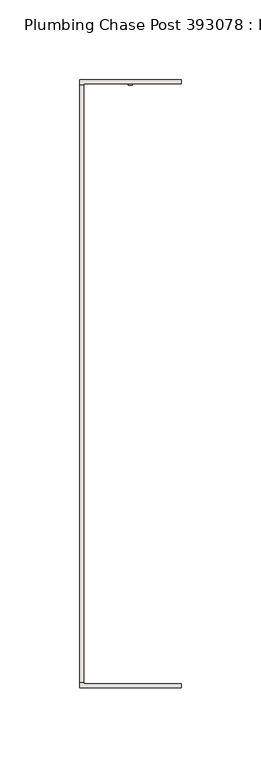
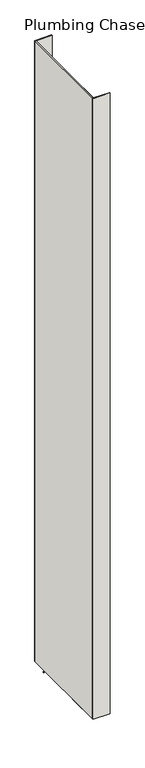
"""IFC4 building model written with IfcOpenShell, lengths in millimetres: wall geometry, Plumbing Chase Post 393078 : Plumbing Chase Post 393078."""

import ifcopenshell
import ifcopenshell.guid

model = None  # the IFC model being written
_history = None  # IfcOwnerHistory: only IFC2X3 demands one
_inside = {}  # id of a spatial element -> (the spatial element, [elements in it])
_under = {}  # id of a project, library or spatial element -> (it, [spatial elements below it])
_declared = {}  # id of a project -> (the project, [libraries it declares])
_typed = {}  # id of a type object -> (the type object, [elements of that type])
_made_of = {}  # id of a material, layer set ... -> (it, [elements and type objects made of it])


def new_model(schema):
    """Start an empty IFC model of exactly this schema.

    Asked for "IFC4X3", IfcOpenShell would pick the latest addendum, in which some entities
    have other attributes; the version numbers below select the first issue.
    IFC2X3 requires an IfcOwnerHistory on every rooted entity: one is made here for all.
    """
    global model, _history
    if schema == "IFC4X3":
        model = ifcopenshell.file(schema_version=(4, 3, 0, 0))
    else:
        model = ifcopenshell.file(schema=schema)
    _inside.clear()
    _under.clear()
    _declared.clear()
    _typed.clear()
    _made_of.clear()
    _history = None
    if model.schema == "IFC2X3":
        org = make("IfcOrganization", Name="unknown")
        user = make(
            "IfcPersonAndOrganization",
            ThePerson=make("IfcPerson", FamilyName="unknown"),
            TheOrganization=org,
        )
        app = make(
            "IfcApplication",
            ApplicationDeveloper=org,
            Version="unknown",
            ApplicationFullName="unknown",
            ApplicationIdentifier="unknown",
        )
        _history = make(
            "IfcOwnerHistory",
            OwningUser=user,
            OwningApplication=app,
            ChangeAction="ADDED",
            CreationDate=0,
        )
    return model


def make(cls, **values):
    """One entity of the class cls with the attributes given. An attribute that is None is left unset."""
    return model.create_entity(
        cls, **{name: value for name, value in values.items() if value is not None}
    )


def rooted(cls, **values):
    """An entity with a GlobalId (a new one), such as an element, a storey or a relation."""
    return make(cls, GlobalId=ifcopenshell.guid.new(), OwnerHistory=_history, **values)


def si_unit(unit_type, name, prefix=None):
    """IfcSIUnit, for example si_unit("LENGTHUNIT", "METRE", prefix="MILLI")."""
    return make("IfcSIUnit", UnitType=unit_type, Prefix=prefix, Name=name)


def assignment(units):
    """IfcUnitAssignment: the units of a project."""
    return None if units is None else make("IfcUnitAssignment", Units=units)


def point(xyz):
    """IfcCartesianPoint."""
    return None if xyz is None else make("IfcCartesianPoint", Coordinates=xyz)


def direction(xyz):
    """IfcDirection."""
    return None if xyz is None else make("IfcDirection", DirectionRatios=xyz)


def frame(location, z_axis=None, x_axis=None):
    """IfcAxis2Placement3D, a coordinate frame: its origin and axes. An axis left out is left unset."""
    return make(
        "IfcAxis2Placement3D",
        Location=point(location),
        Axis=direction(z_axis),
        RefDirection=direction(x_axis),
    )


def origin():
    """The frame at (0, 0, 0) with its axes left unset."""
    return frame((0.0, 0.0, 0.0))


def place(relative_to, where):
    """IfcLocalPlacement: puts the frame where relative to a parent placement (None: the world)."""
    return make(
        "IfcLocalPlacement", PlacementRelTo=relative_to, RelativePlacement=where
    )


def context(
    kind, dimensions, precision=None, world=None, true_north=None, identifier=None
):
    """IfcGeometricRepresentationContext, for example the 3D "Model" context."""
    return make(
        "IfcGeometricRepresentationContext",
        ContextIdentifier=identifier,
        ContextType=kind,
        CoordinateSpaceDimension=dimensions,
        Precision=precision,
        WorldCoordinateSystem=world,
        TrueNorth=true_north,
    )


def project(units=None, contexts=None):
    """IfcProject with its units and contexts."""
    return rooted(
        "IfcProject",
        Name="project",
        RepresentationContexts=contexts,
        UnitsInContext=assignment(units),
    )


def spatial(cls, under=None, at=None, **own):
    """A site, building, storey or space (cls), placed at a placement, below another one or the project."""
    s = rooted(cls, ObjectPlacement=at, **own)
    if under is not None:
        _under.setdefault(under.id(), (under, []))[1].append(s)
    return s


def polyline(points):
    """IfcPolyline through the points."""
    return make("IfcPolyline", Points=[point(p) for p in points])


def outline(outer, holes=None, kind="AREA"):
    """IfcArbitraryClosedProfileDef: a profile drawn as a closed curve; with holes, ...WithVoids."""
    if holes is None:
        return make("IfcArbitraryClosedProfileDef", ProfileType=kind, OuterCurve=outer)
    return make(
        "IfcArbitraryProfileDefWithVoids",
        ProfileType=kind,
        OuterCurve=outer,
        InnerCurves=holes,
    )


def extrude(swept, where, along, depth):
    """IfcExtrudedAreaSolid: the profile swept, set in the frame where, extruded along a direction by depth."""
    return make(
        "IfcExtrudedAreaSolid",
        SweptArea=swept,
        Position=where,
        ExtrudedDirection=direction(along),
        Depth=depth,
    )


def shape(context_of_items, identifier, shape_type, items):
    """IfcShapeRepresentation: the items that make up one representation, for example the "Body"."""
    return make(
        "IfcShapeRepresentation",
        ContextOfItems=context_of_items,
        RepresentationIdentifier=identifier,
        RepresentationType=shape_type,
        Items=items,
    )


def source(mapping_origin, context_of_items, identifier, shape_type, items):
    """IfcRepresentationMap: a shape defined once, which mapped items show again and again."""
    return make(
        "IfcRepresentationMap",
        MappingOrigin=mapping_origin,
        MappedRepresentation=shape(context_of_items, identifier, shape_type, items),
    )


def transform(
    local_origin,
    x_axis=None,
    y_axis=None,
    z_axis=None,
    scale=None,
    scale2=None,
    scale3=None,
    uniform=True,
):
    """IfcCartesianTransformationOperator3D, or its non-uniform kind. x_axis, y_axis, z_axis: its Axis1, 2, 3."""
    if uniform:
        return make(
            "IfcCartesianTransformationOperator3D",
            Axis1=direction(x_axis),
            Axis2=direction(y_axis),
            LocalOrigin=point(local_origin),
            Scale=scale,
            Axis3=direction(z_axis),
        )
    return make(
        "IfcCartesianTransformationOperator3DnonUniform",
        Axis1=direction(x_axis),
        Axis2=direction(y_axis),
        LocalOrigin=point(local_origin),
        Scale=scale,
        Axis3=direction(z_axis),
        Scale2=scale2,
        Scale3=scale3,
    )


def mapped(mapping_source, mapping_target):
    """IfcMappedItem: shows the shape of a source again, moved by a transform."""
    return make(
        "IfcMappedItem", MappingSource=mapping_source, MappingTarget=mapping_target
    )


def made_of(thing, what):
    """Note that an element or type object is made of a material, layer set ...; save() writes the relation."""
    if what is not None:
        _made_of.setdefault(what.id(), (what, []))[1].append(thing)
    return thing


def element(
    cls,
    number,
    at=None,
    inside=None,
    cuts=None,
    type_object=None,
    material=None,
    context=None,
    identifier="Body",
    shape_type=None,
    held_by="IfcProductDefinitionShape",
    body=None,
    shapes=None,
    **own,
):
    """One element of the class cls, such as IfcWall. Its Tag is "e" and its number.

    at: its placement. inside: the storey or other place that contains it. cuts: it is an
    opening in that element (IfcRelVoidsElement). A single representation is given by context,
    identifier, shape_type and body (its items); several are given by shapes. held_by: the class
    of the entity that holds the representations. save() writes the other relations.
    """
    e = rooted(cls, Tag="e%d" % number, ObjectPlacement=at, **own)
    if body is not None:
        shapes = [shape(context, identifier, shape_type, body)]
    if shapes is not None:
        e.Representation = make(held_by, Representations=shapes)
    if inside is not None:
        _inside.setdefault(inside.id(), (inside, []))[1].append(e)
    if cuts is not None:
        rooted(
            "IfcRelVoidsElement", RelatingBuildingElement=cuts, RelatedOpeningElement=e
        )
    if type_object is not None:
        _typed.setdefault(type_object.id(), (type_object, []))[1].append(e)
    return made_of(e, material)


def aggregate(whole, parts):
    """IfcRelAggregates: a whole, such as a stair, and the parts it consists of."""
    return rooted("IfcRelAggregates", RelatingObject=whole, RelatedObjects=parts)


def save(model, path):
    """Write the relations noted so far, then the file.

    IfcRelAggregates (storeys below a building ...), IfcRelContainedInSpatialStructure (elements
    in a storey), IfcRelDefinesByType, IfcRelAssociatesMaterial and IfcRelDeclares: one each for
    every whole, place, type object, material and project.
    """
    for whole, parts in _under.values():
        aggregate(whole, parts)
    for where, things in _inside.values():
        rooted(
            "IfcRelContainedInSpatialStructure",
            RelatedElements=things,
            RelatingStructure=where,
        )
    for kind, things in _typed.values():
        rooted("IfcRelDefinesByType", RelatedObjects=things, RelatingType=kind)
    for what, things in _made_of.values():
        rooted("IfcRelAssociatesMaterial", RelatedObjects=things, RelatingMaterial=what)
    for by, libraries in _declared.values():
        rooted("IfcRelDeclares", RelatingContext=by, RelatedDefinitions=libraries)
    model.write(path)


def plumbing_chase_post_393078_plumbing_chase_post_393078_a6033ac5(model_context):
    return source(origin(), model_context, "Body", "SweptSolid", [
        extrude(outline(polyline([(78033.282211, -43716.2537916), (78033.282211, -43718.7937916), (78030.742211, -43718.7937916), (78030.742211, -43716.2537916), (78033.282211, -43716.2537916)])), frame((0.0, 0.0, 4419.6), z_axis=(0.0, 0.0, 1.0), x_axis=(1.0, 0.0, 0.0)), (0.0, 0.0, 1.0), 2.54),
        extrude(outline(polyline([(77999.9955618, -44094.5519174), (77999.9955618, -43718.9624476), (78002.6620538, -43718.9624476), (78002.6620538, -44094.5519174), (77999.9955618, -44094.5519174)])), frame((0.0, 0.0, 4474.8958), z_axis=(0.0, 0.0, 1.0), x_axis=(1.0, 0.0, 0.0)), (0.0, 0.0, 1.0), 2481.1482254),
        extrude(outline(polyline([(77999.9955618, -44094.5519174), (77999.9955618, -43718.9624476), (78002.6620538, -43718.9624476), (78002.6620538, -44094.5519174), (77999.9955618, -44094.5519174)])), frame((0.0, 0.0, 4474.8958), z_axis=(0.0, 0.0, 1.0), x_axis=(1.0, 0.0, 0.0)), (0.0, 0.0, 1.0), 2481.1482254),
        extrude(outline(polyline([(77999.9955618, -44098.0059872), (77999.9955618, -43964.6559872), (78002.6620538, -43964.6559872), (78002.6620538, -44095.3394698), (78064.0040444, -44095.3394698), (78064.0040444, -44098.0059872), (77999.9955618, -44098.0059872)])), frame((0.0, 0.0, 4474.8958), z_axis=(0.0, 0.0, 1.0), x_axis=(1.0, 0.0, 0.0)), (0.0, 0.0, 1.0), 2481.1482254),
        extrude(outline(polyline([(77999.9955618, -44098.0059872), (77999.9955618, -43964.6559872), (78002.6620538, -43964.6559872), (78002.6620538, -44095.3394698), (78064.0040444, -44095.3394698), (78064.0040444, -44098.0059872), (77999.9955618, -44098.0059872)])), frame((0.0, 0.0, 4474.8958), z_axis=(0.0, 0.0, 1.0), x_axis=(1.0, 0.0, 0.0)), (0.0, 0.0, 1.0), 2481.1482254),
        extrude(outline(polyline([(78002.6620538, -43848.8584032), (77999.9955618, -43848.8584032), (77999.9955618, -43715.5084032), (78064.0040444, -43715.5084032), (78064.0040444, -43718.1748952), (78002.6620538, -43718.1501048), (78002.6620538, -43848.8584032)])), frame((0.0, 0.0, 4474.8958), z_axis=(0.0, 0.0, 1.0), x_axis=(1.0, 0.0, 0.0)), (0.0, 0.0, 1.0), 2481.1482254),
        extrude(outline(polyline([(78002.6620538, -43848.8584032), (77999.9955618, -43848.8584032), (77999.9955618, -43715.5084032), (78064.0040444, -43715.5084032), (78064.0040444, -43718.1748952), (78002.6620538, -43718.1501048), (78002.6620538, -43848.8584032)])), frame((0.0, 0.0, 4474.8958), z_axis=(0.0, 0.0, 1.0), x_axis=(1.0, 0.0, 0.0)), (0.0, 0.0, 1.0), 2481.1482254),
    ])


if __name__ == "__main__":
    model = new_model("IFC4")
    model_context = context("Model", 3, world=origin())
    ifc_project = project(units=[si_unit("LENGTHUNIT", "METRE", prefix="MILLI")], contexts=[model_context])
    site = spatial("IfcSite", under=ifc_project)
    building = spatial("IfcBuilding", under=site)
    placement = place(None, origin())
    plumbing_chase_post_393078_plumbing_chase_post_393078_shape = plumbing_chase_post_393078_plumbing_chase_post_393078_a6033ac5(model_context)
    element("IfcWall", 1, ObjectType="Plumbing Chase Post 393078 : Plumbing Chase Post 393078", at=placement, inside=building, context=model_context, shape_type="MappedRepresentation", body=[
        mapped(plumbing_chase_post_393078_plumbing_chase_post_393078_shape, transform((0.0, 0.0, 0.0), x_axis=(1.0, 0.0, 0.0), y_axis=(0.0, 1.0, 0.0), z_axis=(0.0, 0.0, 1.0))),
    ])
    save(model, "model.ifc")
